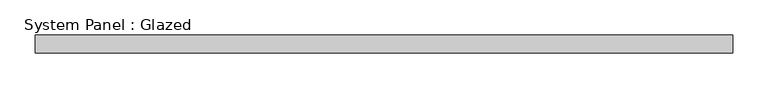
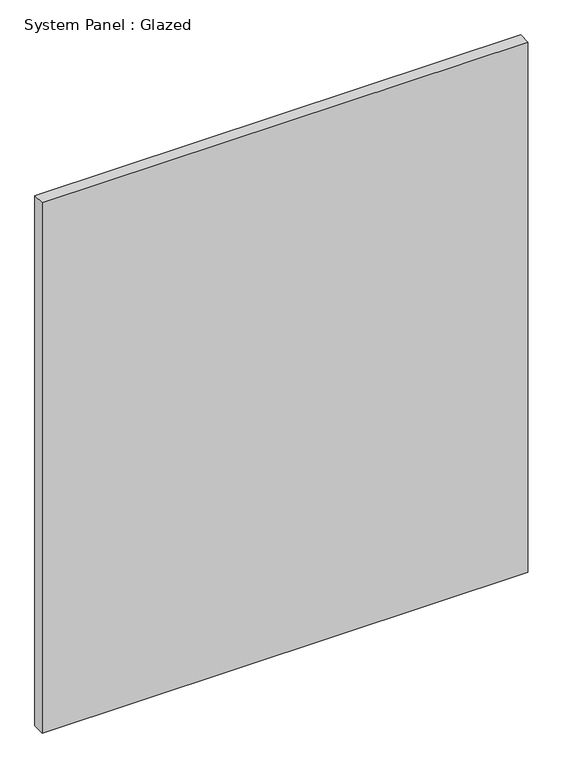
"""IFC4 building model written with IfcOpenShell, lengths in millimetres: plate geometry, System Panel : Glazed."""

import ifcopenshell
import ifcopenshell.guid

model = None  # the IFC model being written
_history = None  # IfcOwnerHistory: only IFC2X3 demands one
_inside = {}  # id of a spatial element -> (the spatial element, [elements in it])
_under = {}  # id of a project, library or spatial element -> (it, [spatial elements below it])
_declared = {}  # id of a project -> (the project, [libraries it declares])
_typed = {}  # id of a type object -> (the type object, [elements of that type])
_made_of = {}  # id of a material, layer set ... -> (it, [elements and type objects made of it])


def new_model(schema):
    """Start an empty IFC model of exactly this schema.

    Asked for "IFC4X3", IfcOpenShell would pick the latest addendum, in which some entities
    have other attributes; the version numbers below select the first issue.
    IFC2X3 requires an IfcOwnerHistory on every rooted entity: one is made here for all.
    """
    global model, _history
    if schema == "IFC4X3":
        model = ifcopenshell.file(schema_version=(4, 3, 0, 0))
    else:
        model = ifcopenshell.file(schema=schema)
    _inside.clear()
    _under.clear()
    _declared.clear()
    _typed.clear()
    _made_of.clear()
    _history = None
    if model.schema == "IFC2X3":
        org = make("IfcOrganization", Name="unknown")
        user = make(
            "IfcPersonAndOrganization",
            ThePerson=make("IfcPerson", FamilyName="unknown"),
            TheOrganization=org,
        )
        app = make(
            "IfcApplication",
            ApplicationDeveloper=org,
            Version="unknown",
            ApplicationFullName="unknown",
            ApplicationIdentifier="unknown",
        )
        _history = make(
            "IfcOwnerHistory",
            OwningUser=user,
            OwningApplication=app,
            ChangeAction="ADDED",
            CreationDate=0,
        )
    return model


def make(cls, **values):
    """One entity of the class cls with the attributes given. An attribute that is None is left unset."""
    return model.create_entity(
        cls, **{name: value for name, value in values.items() if value is not None}
    )


def rooted(cls, **values):
    """An entity with a GlobalId (a new one), such as an element, a storey or a relation."""
    return make(cls, GlobalId=ifcopenshell.guid.new(), OwnerHistory=_history, **values)


def si_unit(unit_type, name, prefix=None):
    """IfcSIUnit, for example si_unit("LENGTHUNIT", "METRE", prefix="MILLI")."""
    return make("IfcSIUnit", UnitType=unit_type, Prefix=prefix, Name=name)


def assignment(units):
    """IfcUnitAssignment: the units of a project."""
    return None if units is None else make("IfcUnitAssignment", Units=units)


def point(xyz):
    """IfcCartesianPoint."""
    return None if xyz is None else make("IfcCartesianPoint", Coordinates=xyz)


def direction(xyz):
    """IfcDirection."""
    return None if xyz is None else make("IfcDirection", DirectionRatios=xyz)


def frame(location, z_axis=None, x_axis=None):
    """IfcAxis2Placement3D, a coordinate frame: its origin and axes. An axis left out is left unset."""
    return make(
        "IfcAxis2Placement3D",
        Location=point(location),
        Axis=direction(z_axis),
        RefDirection=direction(x_axis),
    )


def origin():
    """The frame at (0, 0, 0) with its axes left unset."""
    return frame((0.0, 0.0, 0.0))


def origin_with_axes():
    """The frame at (0, 0, 0) with the z axis (0, 0, 1) and the x axis (1, 0, 0) written out."""
    return frame((0.0, 0.0, 0.0), z_axis=(0.0, 0.0, 1.0), x_axis=(1.0, 0.0, 0.0))


def place(relative_to, where):
    """IfcLocalPlacement: puts the frame where relative to a parent placement (None: the world)."""
    return make(
        "IfcLocalPlacement", PlacementRelTo=relative_to, RelativePlacement=where
    )


def context(
    kind, dimensions, precision=None, world=None, true_north=None, identifier=None
):
    """IfcGeometricRepresentationContext, for example the 3D "Model" context."""
    return make(
        "IfcGeometricRepresentationContext",
        ContextIdentifier=identifier,
        ContextType=kind,
        CoordinateSpaceDimension=dimensions,
        Precision=precision,
        WorldCoordinateSystem=world,
        TrueNorth=true_north,
    )


def project(units=None, contexts=None):
    """IfcProject with its units and contexts."""
    return rooted(
        "IfcProject",
        Name="project",
        RepresentationContexts=contexts,
        UnitsInContext=assignment(units),
    )


def spatial(cls, under=None, at=None, **own):
    """A site, building, storey or space (cls), placed at a placement, below another one or the project."""
    s = rooted(cls, ObjectPlacement=at, **own)
    if under is not None:
        _under.setdefault(under.id(), (under, []))[1].append(s)
    return s


def polyline(points):
    """IfcPolyline through the points."""
    return make("IfcPolyline", Points=[point(p) for p in points])


def outline(outer, holes=None, kind="AREA"):
    """IfcArbitraryClosedProfileDef: a profile drawn as a closed curve; with holes, ...WithVoids."""
    if holes is None:
        return make("IfcArbitraryClosedProfileDef", ProfileType=kind, OuterCurve=outer)
    return make(
        "IfcArbitraryProfileDefWithVoids",
        ProfileType=kind,
        OuterCurve=outer,
        InnerCurves=holes,
    )


def extrude(swept, where, along, depth):
    """IfcExtrudedAreaSolid: the profile swept, set in the frame where, extruded along a direction by depth."""
    return make(
        "IfcExtrudedAreaSolid",
        SweptArea=swept,
        Position=where,
        ExtrudedDirection=direction(along),
        Depth=depth,
    )


def shape(context_of_items, identifier, shape_type, items):
    """IfcShapeRepresentation: the items that make up one representation, for example the "Body"."""
    return make(
        "IfcShapeRepresentation",
        ContextOfItems=context_of_items,
        RepresentationIdentifier=identifier,
        RepresentationType=shape_type,
        Items=items,
    )


def source(mapping_origin, context_of_items, identifier, shape_type, items):
    """IfcRepresentationMap: a shape defined once, which mapped items show again and again."""
    return make(
        "IfcRepresentationMap",
        MappingOrigin=mapping_origin,
        MappedRepresentation=shape(context_of_items, identifier, shape_type, items),
    )


def transform(
    local_origin,
    x_axis=None,
    y_axis=None,
    z_axis=None,
    scale=None,
    scale2=None,
    scale3=None,
    uniform=True,
):
    """IfcCartesianTransformationOperator3D, or its non-uniform kind. x_axis, y_axis, z_axis: its Axis1, 2, 3."""
    if uniform:
        return make(
            "IfcCartesianTransformationOperator3D",
            Axis1=direction(x_axis),
            Axis2=direction(y_axis),
            LocalOrigin=point(local_origin),
            Scale=scale,
            Axis3=direction(z_axis),
        )
    return make(
        "IfcCartesianTransformationOperator3DnonUniform",
        Axis1=direction(x_axis),
        Axis2=direction(y_axis),
        LocalOrigin=point(local_origin),
        Scale=scale,
        Axis3=direction(z_axis),
        Scale2=scale2,
        Scale3=scale3,
    )


def mapped(mapping_source, mapping_target):
    """IfcMappedItem: shows the shape of a source again, moved by a transform."""
    return make(
        "IfcMappedItem", MappingSource=mapping_source, MappingTarget=mapping_target
    )


def made_of(thing, what):
    """Note that an element or type object is made of a material, layer set ...; save() writes the relation."""
    if what is not None:
        _made_of.setdefault(what.id(), (what, []))[1].append(thing)
    return thing


def element(
    cls,
    number,
    at=None,
    inside=None,
    cuts=None,
    type_object=None,
    material=None,
    context=None,
    identifier="Body",
    shape_type=None,
    held_by="IfcProductDefinitionShape",
    body=None,
    shapes=None,
    **own,
):
    """One element of the class cls, such as IfcWall. Its Tag is "e" and its number.

    at: its placement. inside: the storey or other place that contains it. cuts: it is an
    opening in that element (IfcRelVoidsElement). A single representation is given by context,
    identifier, shape_type and body (its items); several are given by shapes. held_by: the class
    of the entity that holds the representations. save() writes the other relations.
    """
    e = rooted(cls, Tag="e%d" % number, ObjectPlacement=at, **own)
    if body is not None:
        shapes = [shape(context, identifier, shape_type, body)]
    if shapes is not None:
        e.Representation = make(held_by, Representations=shapes)
    if inside is not None:
        _inside.setdefault(inside.id(), (inside, []))[1].append(e)
    if cuts is not None:
        rooted(
            "IfcRelVoidsElement", RelatingBuildingElement=cuts, RelatedOpeningElement=e
        )
    if type_object is not None:
        _typed.setdefault(type_object.id(), (type_object, []))[1].append(e)
    return made_of(e, material)


def aggregate(whole, parts):
    """IfcRelAggregates: a whole, such as a stair, and the parts it consists of."""
    return rooted("IfcRelAggregates", RelatingObject=whole, RelatedObjects=parts)


def save(model, path):
    """Write the relations noted so far, then the file.

    IfcRelAggregates (storeys below a building ...), IfcRelContainedInSpatialStructure (elements
    in a storey), IfcRelDefinesByType, IfcRelAssociatesMaterial and IfcRelDeclares: one each for
    every whole, place, type object, material and project.
    """
    for whole, parts in _under.values():
        aggregate(whole, parts)
    for where, things in _inside.values():
        rooted(
            "IfcRelContainedInSpatialStructure",
            RelatedElements=things,
            RelatingStructure=where,
        )
    for kind, things in _typed.values():
        rooted("IfcRelDefinesByType", RelatedObjects=things, RelatingType=kind)
    for what, things in _made_of.values():
        rooted("IfcRelAssociatesMaterial", RelatedObjects=things, RelatingMaterial=what)
    for by, libraries in _declared.values():
        rooted("IfcRelDeclares", RelatingContext=by, RelatedDefinitions=libraries)
    model.write(path)


def system_panel_glazed_8f69f17b(model_context):
    return source(origin(), model_context, "Body", "SweptSolid", [
        extrude(outline(polyline([(495.3, -12.7), (-495.3, -12.7), (-495.3, 12.7), (495.3, 12.7), (495.3, -12.7)])), origin_with_axes(), (0.0, 0.0, 1.0), 1143.0),
    ])


if __name__ == "__main__":
    model = new_model("IFC4")
    model_context = context("Model", 3, world=origin())
    ifc_project = project(units=[si_unit("LENGTHUNIT", "METRE", prefix="MILLI")], contexts=[model_context])
    site = spatial("IfcSite", under=ifc_project)
    building = spatial("IfcBuilding", under=site)
    placement = place(None, origin())
    system_panel_glazed_shape = system_panel_glazed_8f69f17b(model_context)
    element("IfcPlate", 1, ObjectType="System Panel : Glazed", at=placement, inside=building, context=model_context, shape_type="MappedRepresentation", body=[
        mapped(system_panel_glazed_shape, transform((0.0, 0.0, 0.0), x_axis=(1.0, 0.0, 0.0), y_axis=(0.0, 1.0, 0.0), z_axis=(0.0, 0.0, 1.0))),
    ])
    save(model, "model.ifc")
